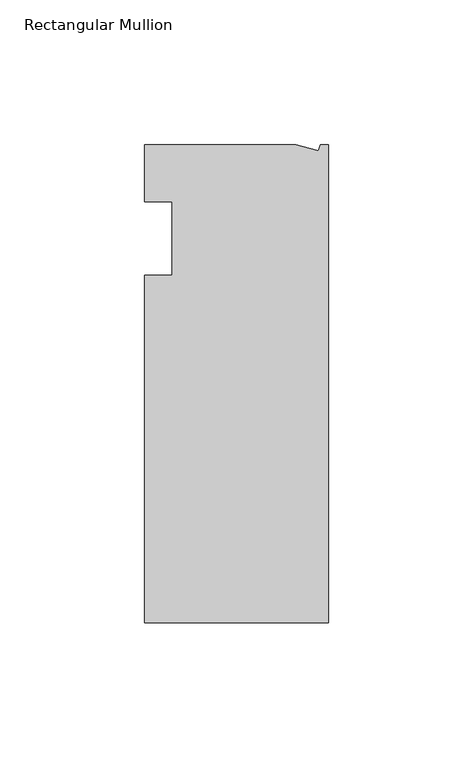
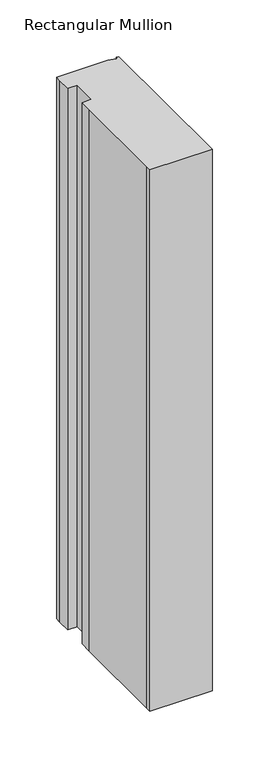
"""IFC4 building model written with IfcOpenShell, lengths in millimetres: member geometry, Rectangular Mullion."""

import ifcopenshell
import ifcopenshell.guid

model = None  # the IFC model being written
_history = None  # IfcOwnerHistory: only IFC2X3 demands one
_inside = {}  # id of a spatial element -> (the spatial element, [elements in it])
_under = {}  # id of a project, library or spatial element -> (it, [spatial elements below it])
_declared = {}  # id of a project -> (the project, [libraries it declares])
_typed = {}  # id of a type object -> (the type object, [elements of that type])
_made_of = {}  # id of a material, layer set ... -> (it, [elements and type objects made of it])


def new_model(schema):
    """Start an empty IFC model of exactly this schema.

    Asked for "IFC4X3", IfcOpenShell would pick the latest addendum, in which some entities
    have other attributes; the version numbers below select the first issue.
    IFC2X3 requires an IfcOwnerHistory on every rooted entity: one is made here for all.
    """
    global model, _history
    if schema == "IFC4X3":
        model = ifcopenshell.file(schema_version=(4, 3, 0, 0))
    else:
        model = ifcopenshell.file(schema=schema)
    _inside.clear()
    _under.clear()
    _declared.clear()
    _typed.clear()
    _made_of.clear()
    _history = None
    if model.schema == "IFC2X3":
        org = make("IfcOrganization", Name="unknown")
        user = make(
            "IfcPersonAndOrganization",
            ThePerson=make("IfcPerson", FamilyName="unknown"),
            TheOrganization=org,
        )
        app = make(
            "IfcApplication",
            ApplicationDeveloper=org,
            Version="unknown",
            ApplicationFullName="unknown",
            ApplicationIdentifier="unknown",
        )
        _history = make(
            "IfcOwnerHistory",
            OwningUser=user,
            OwningApplication=app,
            ChangeAction="ADDED",
            CreationDate=0,
        )
    return model


def make(cls, **values):
    """One entity of the class cls with the attributes given. An attribute that is None is left unset."""
    return model.create_entity(
        cls, **{name: value for name, value in values.items() if value is not None}
    )


def rooted(cls, **values):
    """An entity with a GlobalId (a new one), such as an element, a storey or a relation."""
    return make(cls, GlobalId=ifcopenshell.guid.new(), OwnerHistory=_history, **values)


def si_unit(unit_type, name, prefix=None):
    """IfcSIUnit, for example si_unit("LENGTHUNIT", "METRE", prefix="MILLI")."""
    return make("IfcSIUnit", UnitType=unit_type, Prefix=prefix, Name=name)


def assignment(units):
    """IfcUnitAssignment: the units of a project."""
    return None if units is None else make("IfcUnitAssignment", Units=units)


def point(xyz):
    """IfcCartesianPoint."""
    return None if xyz is None else make("IfcCartesianPoint", Coordinates=xyz)


def direction(xyz):
    """IfcDirection."""
    return None if xyz is None else make("IfcDirection", DirectionRatios=xyz)


def frame(location, z_axis=None, x_axis=None):
    """IfcAxis2Placement3D, a coordinate frame: its origin and axes. An axis left out is left unset."""
    return make(
        "IfcAxis2Placement3D",
        Location=point(location),
        Axis=direction(z_axis),
        RefDirection=direction(x_axis),
    )


def origin():
    """The frame at (0, 0, 0) with its axes left unset."""
    return frame((0.0, 0.0, 0.0))


def place(relative_to, where):
    """IfcLocalPlacement: puts the frame where relative to a parent placement (None: the world)."""
    return make(
        "IfcLocalPlacement", PlacementRelTo=relative_to, RelativePlacement=where
    )


def context(
    kind, dimensions, precision=None, world=None, true_north=None, identifier=None
):
    """IfcGeometricRepresentationContext, for example the 3D "Model" context."""
    return make(
        "IfcGeometricRepresentationContext",
        ContextIdentifier=identifier,
        ContextType=kind,
        CoordinateSpaceDimension=dimensions,
        Precision=precision,
        WorldCoordinateSystem=world,
        TrueNorth=true_north,
    )


def project(units=None, contexts=None):
    """IfcProject with its units and contexts."""
    return rooted(
        "IfcProject",
        Name="project",
        RepresentationContexts=contexts,
        UnitsInContext=assignment(units),
    )


def spatial(cls, under=None, at=None, **own):
    """A site, building, storey or space (cls), placed at a placement, below another one or the project."""
    s = rooted(cls, ObjectPlacement=at, **own)
    if under is not None:
        _under.setdefault(under.id(), (under, []))[1].append(s)
    return s


def polyline(points):
    """IfcPolyline through the points."""
    return make("IfcPolyline", Points=[point(p) for p in points])


def outline(outer, holes=None, kind="AREA"):
    """IfcArbitraryClosedProfileDef: a profile drawn as a closed curve; with holes, ...WithVoids."""
    if holes is None:
        return make("IfcArbitraryClosedProfileDef", ProfileType=kind, OuterCurve=outer)
    return make(
        "IfcArbitraryProfileDefWithVoids",
        ProfileType=kind,
        OuterCurve=outer,
        InnerCurves=holes,
    )


def extrude(swept, where, along, depth):
    """IfcExtrudedAreaSolid: the profile swept, set in the frame where, extruded along a direction by depth."""
    return make(
        "IfcExtrudedAreaSolid",
        SweptArea=swept,
        Position=where,
        ExtrudedDirection=direction(along),
        Depth=depth,
    )


def shape(context_of_items, identifier, shape_type, items):
    """IfcShapeRepresentation: the items that make up one representation, for example the "Body"."""
    return make(
        "IfcShapeRepresentation",
        ContextOfItems=context_of_items,
        RepresentationIdentifier=identifier,
        RepresentationType=shape_type,
        Items=items,
    )


def source(mapping_origin, context_of_items, identifier, shape_type, items):
    """IfcRepresentationMap: a shape defined once, which mapped items show again and again."""
    return make(
        "IfcRepresentationMap",
        MappingOrigin=mapping_origin,
        MappedRepresentation=shape(context_of_items, identifier, shape_type, items),
    )


def transform(
    local_origin,
    x_axis=None,
    y_axis=None,
    z_axis=None,
    scale=None,
    scale2=None,
    scale3=None,
    uniform=True,
):
    """IfcCartesianTransformationOperator3D, or its non-uniform kind. x_axis, y_axis, z_axis: its Axis1, 2, 3."""
    if uniform:
        return make(
            "IfcCartesianTransformationOperator3D",
            Axis1=direction(x_axis),
            Axis2=direction(y_axis),
            LocalOrigin=point(local_origin),
            Scale=scale,
            Axis3=direction(z_axis),
        )
    return make(
        "IfcCartesianTransformationOperator3DnonUniform",
        Axis1=direction(x_axis),
        Axis2=direction(y_axis),
        LocalOrigin=point(local_origin),
        Scale=scale,
        Axis3=direction(z_axis),
        Scale2=scale2,
        Scale3=scale3,
    )


def mapped(mapping_source, mapping_target):
    """IfcMappedItem: shows the shape of a source again, moved by a transform."""
    return make(
        "IfcMappedItem", MappingSource=mapping_source, MappingTarget=mapping_target
    )


def made_of(thing, what):
    """Note that an element or type object is made of a material, layer set ...; save() writes the relation."""
    if what is not None:
        _made_of.setdefault(what.id(), (what, []))[1].append(thing)
    return thing


def element(
    cls,
    number,
    at=None,
    inside=None,
    cuts=None,
    type_object=None,
    material=None,
    context=None,
    identifier="Body",
    shape_type=None,
    held_by="IfcProductDefinitionShape",
    body=None,
    shapes=None,
    **own,
):
    """One element of the class cls, such as IfcWall. Its Tag is "e" and its number.

    at: its placement. inside: the storey or other place that contains it. cuts: it is an
    opening in that element (IfcRelVoidsElement). A single representation is given by context,
    identifier, shape_type and body (its items); several are given by shapes. held_by: the class
    of the entity that holds the representations. save() writes the other relations.
    """
    e = rooted(cls, Tag="e%d" % number, ObjectPlacement=at, **own)
    if body is not None:
        shapes = [shape(context, identifier, shape_type, body)]
    if shapes is not None:
        e.Representation = make(held_by, Representations=shapes)
    if inside is not None:
        _inside.setdefault(inside.id(), (inside, []))[1].append(e)
    if cuts is not None:
        rooted(
            "IfcRelVoidsElement", RelatingBuildingElement=cuts, RelatedOpeningElement=e
        )
    if type_object is not None:
        _typed.setdefault(type_object.id(), (type_object, []))[1].append(e)
    return made_of(e, material)


def aggregate(whole, parts):
    """IfcRelAggregates: a whole, such as a stair, and the parts it consists of."""
    return rooted("IfcRelAggregates", RelatingObject=whole, RelatedObjects=parts)


def save(model, path):
    """Write the relations noted so far, then the file.

    IfcRelAggregates (storeys below a building ...), IfcRelContainedInSpatialStructure (elements
    in a storey), IfcRelDefinesByType, IfcRelAssociatesMaterial and IfcRelDeclares: one each for
    every whole, place, type object, material and project.
    """
    for whole, parts in _under.values():
        aggregate(whole, parts)
    for where, things in _inside.values():
        rooted(
            "IfcRelContainedInSpatialStructure",
            RelatedElements=things,
            RelatingStructure=where,
        )
    for kind, things in _typed.values():
        rooted("IfcRelDefinesByType", RelatedObjects=things, RelatingType=kind)
    for what, things in _made_of.values():
        rooted("IfcRelAssociatesMaterial", RelatedObjects=things, RelatingMaterial=what)
    for by, libraries in _declared.values():
        rooted("IfcRelDeclares", RelatingContext=by, RelatedDefinitions=libraries)
    model.write(path)


def rectangular_mullion_990f8d4c(model_context):
    return source(origin(), model_context, "Body", "SweptSolid", [
        extrude(outline(polyline([(-11.1265412, 19.6597595), (-3.3457217, 17.5748952), (-2.787084, 19.6597595), (0.0, 19.6597595), (0.0, -145.4402405), (-63.5, -145.4402405), (-63.5, -139.0912527), (-63.5, -38.3358837), (-63.5, -25.4), (-53.975, -25.4), (-53.975, 0.0), (-63.5, 0.0), (-63.5, 13.6146679), (-63.5, 19.6597595), (-11.1265412, 19.6597595)])), frame((0.0, 0.0, -584.2), z_axis=(0.0, 0.0, 1.0), x_axis=(1.0, 0.0, 0.0)), (0.0, 0.0, 1.0), 584.2),
    ])


if __name__ == "__main__":
    model = new_model("IFC4")
    model_context = context("Model", 3, world=origin())
    ifc_project = project(units=[si_unit("LENGTHUNIT", "METRE", prefix="MILLI")], contexts=[model_context])
    site = spatial("IfcSite", under=ifc_project)
    building = spatial("IfcBuilding", under=site)
    placement = place(None, origin())
    rectangular_mullion_shape = rectangular_mullion_990f8d4c(model_context)
    element("IfcMember", 1, ObjectType="Rectangular Mullion", at=placement, inside=building, context=model_context, shape_type="MappedRepresentation", body=[
        mapped(rectangular_mullion_shape, transform((0.0, 0.0, 0.0), x_axis=(1.0, 0.0, 0.0), y_axis=(0.0, 1.0, 0.0), z_axis=(0.0, 0.0, 1.0))),
    ])
    save(model, "model.ifc")
